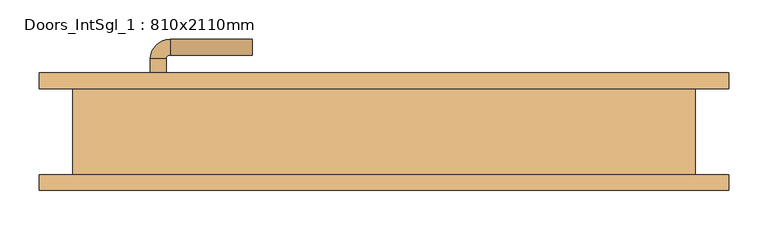
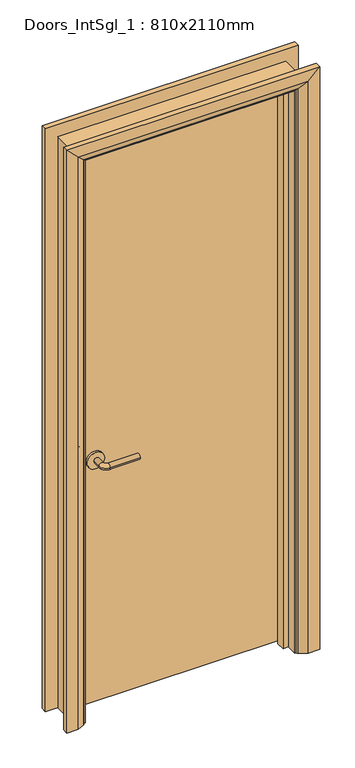
"""IFC4 building model written with IfcOpenShell, lengths in millimetres: door geometry, Doors_IntSgl_1 : 810x2110mm."""

from ifc_helpers import new_model, si_unit, point, frame, frame_2d, origin, place, context, project, spatial, polyline, circle_curve, ellipse_curve, trimmed, segment, composite_curve, outline, extrude, faceted_brep, source, transform, mapped, element, save
from ifc_brep_helpers import plane_surface, cylinder_surface, revolved_surface, advanced_brep


def doors_intsgl_1_810x2110mm_b20a6d0b(model_context):
    return source(origin(), model_context, "Body", "SolidModel", [
        advanced_brep(
        [(-298.0, 9.0, 900.0), (-278.0, 9.0, 900.0), (-278.0, -21.0, 900.0), (-298.0, -21.0, 900.0), (-273.0, -26.0, 900.0), (-273.0, -46.0, 900.0), (-168.0, -46.0, 900.0), (-168.0, -26.0, 900.0)],
        [
            (0, 1, circle_curve(frame((-288.0, 9.0, 900.0), z_axis=(0.0, 1.0, 0.0), x_axis=(1.0, 0.0, 0.0)), 10.0)),
            (1, 0, circle_curve(frame((-288.0, 9.0, 900.0), z_axis=(0.0, 1.0, 0.0), x_axis=(1.0, 0.0, 0.0)), 10.0)),
            (1, 2),
            (2, 3, circle_curve(frame((-288.0, -21.0, 900.0), z_axis=(0.0, 1.0, 0.0), x_axis=(1.0, 0.0, 0.0)), 10.0)),
            (3, 0),
            (3, 2, circle_curve(frame((-288.0, -21.0, 900.0), z_axis=(0.0, 1.0, 0.0), x_axis=(1.0, 0.0, 0.0)), 10.0)),
            (4, 5, circle_curve(frame((-273.0, -36.0, 900.0), z_axis=(-1.0, 0.0, 0.0), x_axis=(0.0, 1.0, 0.0)), 10.0)),
            (5, 3, circle_curve(frame((-273.0, -21.0, 900.0), z_axis=(0.0, 0.0, -1.0), x_axis=(-1.0, 0.0, 0.0)), 25.0)),
            (2, 4, circle_curve(frame((-273.0, -21.0, 900.0), z_axis=(0.0, 0.0, 1.0), x_axis=(-1.0, 0.0, 0.0)), 5.0)),
            (5, 4, circle_curve(frame((-273.0, -36.0, 900.0), z_axis=(-1.0, 0.0, 0.0), x_axis=(0.0, 1.0, 0.0)), 10.0)),
            (6, 7, circle_curve(frame((-168.0, -36.0, 900.0), z_axis=(1.0, 0.0, 0.0), x_axis=(0.0, 1.0, 0.0)), 10.0)),
            (7, 6, circle_curve(frame((-168.0, -36.0, 900.0), z_axis=(1.0, 0.0, 0.0), x_axis=(0.0, 1.0, 0.0)), 10.0)),
            (4, 7),
            (6, 5),
        ],
        [
            plane_surface(frame((-288.0, 9.0, 900.0), z_axis=(0.0, 1.0, 0.0), x_axis=(0.0, 0.0, 1.0))),
            cylinder_surface(frame((-288.0, 9.0, 900.0), z_axis=(0.0, 1.0, 0.0), x_axis=(1.0, 0.0, 0.0)), 10.0),
            revolved_surface(trimmed(ellipse_curve(frame((-288.0, -21.0, 900.0), z_axis=(0.0, -1.0, 0.0), x_axis=(1.0, 0.0, 0.0)), 10.0, 10.0), [point((-298.0, -21.0, 900.0))], [point((-278.0, -21.0, 900.0))], True, "CARTESIAN"), (-273.0, -21.0, 900.0), (0.0, 0.0, -1.0)),
            revolved_surface(trimmed(ellipse_curve(frame((-288.0, -21.0, 900.0), z_axis=(0.0, -1.0, 0.0), x_axis=(1.0, 0.0, 0.0)), 10.0, 10.0), [point((-278.0, -21.0, 900.0))], [point((-298.0, -21.0, 900.0))], True, "CARTESIAN"), (-273.0, -21.0, 900.0), (0.0, 0.0, -1.0)),
            plane_surface(frame((-168.0, -36.0, 900.0), z_axis=(1.0, 0.0, 0.0), x_axis=(0.0, 0.0, 1.0))),
            cylinder_surface(frame((-273.0, -36.0, 900.0), z_axis=(-1.0, 0.0, 0.0), x_axis=(0.0, 1.0, 0.0)), 10.0),
        ],
        [
            (0, [[1, 2]]),
            (1, [[3, 4, 5, -2]]),
            (1, [[-5, 6, -3, -1]]),
            (2, [[7, 8, -4, 9]]),
            (3, [[10, -9, -6, -8]]),
            (4, [[11, 12]]),
            (5, [[13, -11, 14, -7]]),
            (5, [[-14, -12, -13, -10]]),
        ],
    ),
        extrude(outline(composite_curve([segment(trimmed(circle_curve(frame_2d((900.0, -290.5)), 30.0), [point((900.0, -320.5))], [point((900.0, -260.5))], False, "CARTESIAN"), True, "CONTINUOUS"), segment(trimmed(circle_curve(frame_2d((900.0, -290.5)), 30.0), [point((900.0, -260.5))], [point((900.0, -320.5))], False, "CARTESIAN"), True, "CONTINUOUS")], self_intersect=False)), frame((0.0, 9.0, 0.0), z_axis=(0.0, 1.0, 0.0), x_axis=(0.0, 0.0, 1.0)), (0.0, 0.0, 1.0), 8.0),
        advanced_brep(
        [(-298.0, 63.0, 900.0), (-278.0, 63.0, 900.0), (-298.0, 93.0, 900.0), (-278.0, 93.0, 900.0), (-273.0, 98.0, 900.0), (-273.0, 118.0, 900.0), (-168.0, 118.0, 900.0), (-168.0, 98.0, 900.0)],
        [
            (0, 1, circle_curve(frame((-288.0, 63.0, 900.0), z_axis=(0.0, -1.0, 0.0), x_axis=(1.0, 0.0, 0.0)), 10.0)),
            (1, 0, circle_curve(frame((-288.0, 63.0, 900.0), z_axis=(0.0, -1.0, 0.0), x_axis=(1.0, 0.0, 0.0)), 10.0)),
            (0, 2),
            (2, 3, circle_curve(frame((-288.0, 93.0, 900.0), z_axis=(0.0, -1.0, 0.0), x_axis=(1.0, 0.0, 0.0)), 10.0)),
            (3, 1),
            (3, 2, circle_curve(frame((-288.0, 93.0, 900.0), z_axis=(0.0, -1.0, 0.0), x_axis=(1.0, 0.0, 0.0)), 10.0)),
            (4, 3, circle_curve(frame((-273.0, 93.0, 900.0), z_axis=(0.0, 0.0, 1.0), x_axis=(-1.0, 0.0, 0.0)), 5.0)),
            (2, 5, circle_curve(frame((-273.0, 93.0, 900.0), z_axis=(0.0, 0.0, -1.0), x_axis=(-1.0, 0.0, 0.0)), 25.0)),
            (5, 4, circle_curve(frame((-273.0, 108.0, 900.0), z_axis=(-1.0, 0.0, 0.0), x_axis=(0.0, -1.0, 0.0)), 10.0)),
            (4, 5, circle_curve(frame((-273.0, 108.0, 900.0), z_axis=(-1.0, 0.0, 0.0), x_axis=(0.0, -1.0, 0.0)), 10.0)),
            (6, 7, circle_curve(frame((-168.0, 108.0, 900.0), z_axis=(1.0, 0.0, 0.0), x_axis=(0.0, -1.0, 0.0)), 10.0)),
            (7, 6, circle_curve(frame((-168.0, 108.0, 900.0), z_axis=(1.0, 0.0, 0.0), x_axis=(0.0, -1.0, 0.0)), 10.0)),
            (5, 6),
            (7, 4),
        ],
        [
            plane_surface(frame((-288.0, 63.0, 900.0), z_axis=(0.0, -1.0, 0.0), x_axis=(0.0, 0.0, 1.0))),
            cylinder_surface(frame((-288.0, 63.0, 900.0), z_axis=(0.0, -1.0, 0.0), x_axis=(1.0, 0.0, 0.0)), 10.0),
            revolved_surface(trimmed(ellipse_curve(frame((-288.0, 93.0, 900.0), z_axis=(0.0, -1.0, 0.0), x_axis=(1.0, 0.0, 0.0)), 10.0, 10.0), [point((-298.0, 93.0, 900.0))], [point((-278.0, 93.0, 900.0))], True, "CARTESIAN"), (-273.0, 93.0, 900.0), (0.0, 0.0, -1.0)),
            revolved_surface(trimmed(ellipse_curve(frame((-288.0, 93.0, 900.0), z_axis=(0.0, -1.0, 0.0), x_axis=(1.0, 0.0, 0.0)), 10.0, 10.0), [point((-278.0, 93.0, 900.0))], [point((-298.0, 93.0, 900.0))], True, "CARTESIAN"), (-273.0, 93.0, 900.0), (0.0, 0.0, -1.0)),
            plane_surface(frame((-168.0, 108.0, 900.0), z_axis=(1.0, 0.0, 0.0), x_axis=(0.0, 0.0, 1.0))),
            cylinder_surface(frame((-273.0, 108.0, 900.0), z_axis=(-1.0, 0.0, 0.0), x_axis=(0.0, -1.0, 0.0)), 10.0),
        ],
        [
            (0, [[1, 2]]),
            (1, [[-1, 3, 4, 5]]),
            (1, [[-2, -5, 6, -3]]),
            (2, [[7, -4, 8, 9]]),
            (3, [[-8, -6, -7, 10]]),
            (4, [[11, 12]]),
            (5, [[-9, 13, -12, 14]]),
            (5, [[-10, -14, -11, -13]]),
        ],
    ),
        extrude(outline(composite_curve([segment(trimmed(circle_curve(frame_2d((900.0, -290.5)), 30.0), [point((900.0, -320.5))], [point((900.0, -260.5))], False, "CARTESIAN"), True, "CONTINUOUS"), segment(trimmed(circle_curve(frame_2d((900.0, -290.5)), 30.0), [point((900.0, -260.5))], [point((900.0, -320.5))], False, "CARTESIAN"), True, "CONTINUOUS")], self_intersect=False)), frame((0.0, 55.0, 0.0), z_axis=(0.0, 1.0, 0.0), x_axis=(0.0, 0.0, 1.0)), (0.0, 0.0, 1.0), 8.0),
        extrude(outline(polyline([(363.0, 17.0), (-363.0, 17.0), (-363.0, 55.0), (363.0, 55.0), (363.0, 17.0)])), frame((0.0, 0.0, 8.0), z_axis=(0.0, 0.0, 1.0), x_axis=(1.0, 0.0, 0.0)), (0.0, 0.0, 1.0), 2060.0),
        advanced_brep(
        [(440.0, 75.0, 0.0), (440.0, 55.0, 0.0), (370.0, 55.0, 0.0), (374.0, 61.0, 0.0), (400.0, 75.0, 0.0), (440.0, 75.0, 2145.0), (440.0, 55.0, 2145.0), (-440.0, 55.0, 2145.0), (-440.0, 55.0, 0.0), (-370.0, 55.0, 0.0), (-370.0, 55.0, 2075.0), (370.0, 55.0, 2075.0), (374.0, 61.0, 2079.0), (400.0, 75.0, 2105.0), (-400.0, 75.0, 2105.0), (-400.0, 75.0, 0.0), (-440.0, 75.0, 0.0), (-440.0, 75.0, 2145.0), (-374.0, 61.0, 0.0), (-374.0, 61.0, 2079.0)],
        [
            (0, 1),
            (1, 2),
            (2, 3, circle_curve(frame((378.0, 54.0, 0.0), z_axis=(0.0, 0.0, -1.0), x_axis=(1.0, 0.0, 0.0)), 8.0622577)),
            (3, 4),
            (4, 0),
            (0, 5),
            (5, 6),
            (6, 1),
            (6, 7),
            (7, 8),
            (8, 9),
            (9, 10),
            (10, 11),
            (11, 2),
            (11, 12, ellipse_curve(frame((378.0, 54.0, 2083.0), z_axis=(0.7071067811865475, 0.0, -0.7071067811865475), x_axis=(-0.7071067811865474, 0.0, -0.7071067811865476)), 11.4017543, 8.0622577)),
            (12, 3),
            (12, 13),
            (13, 4),
            (13, 14),
            (14, 15),
            (15, 16),
            (16, 17),
            (17, 5),
            (7, 17),
            (16, 8),
            (15, 18),
            (18, 9, circle_curve(frame((-378.0, 54.0, 0.0), z_axis=(0.0, 0.0, -1.0), x_axis=(-1.0, 0.0, 0.0)), 8.0622577)),
            (19, 10, ellipse_curve(frame((-378.0, 54.0, 2083.0), z_axis=(-0.7071067811865475, 0.0, -0.7071067811865475), x_axis=(-0.7071067811865474, 0.0, 0.7071067811865476)), 11.4017543, 8.0622577)),
            (18, 19),
            (14, 19),
            (19, 12),
        ],
        [
            plane_surface(frame((370.0, 55.0, 0.0), z_axis=(0.0, 0.0, -1.0), x_axis=(0.0, -1.0, 0.0))),
            plane_surface(frame((440.0, 75.0, 0.0), z_axis=(1.0, 0.0, 0.0), x_axis=(0.0, 0.0, 1.0))),
            plane_surface(frame((440.0, 55.0, 0.0), z_axis=(0.0, -1.0, 0.0), x_axis=(0.0, 0.0, 1.0))),
            cylinder_surface(frame((378.0, 54.0, 0.0), z_axis=(0.0, 0.0, -1.0), x_axis=(1.0, 0.0, 0.0)), 8.0622577),
            plane_surface(frame((374.0, 61.0, 0.0), z_axis=(-0.4740998230350126, 0.880471099922178, 0.0), x_axis=(0.0, 0.0, 1.0))),
            plane_surface(frame((400.0, 75.0, 0.0), z_axis=(0.0, 1.0, 0.0), x_axis=(0.0, 0.0, 1.0))),
            plane_surface(frame((-440.0, 75.0, 2145.0), z_axis=(-1.0, 0.0, 0.0), x_axis=(0.0, 0.0, -1.0))),
            plane_surface(frame((-370.0, 55.0, 0.0), z_axis=(0.0, 0.0, -1.0), x_axis=(0.0, -1.0, 0.0))),
            cylinder_surface(frame((-378.0, 54.0, 2075.0), z_axis=(0.0, 0.0, 1.0), x_axis=(-1.0, 0.0, 0.0)), 8.0622577),
            plane_surface(frame((-374.0, 61.0, 2079.0), z_axis=(0.47409982303501824, 0.8804710999221749, 0.0), x_axis=(0.0, 0.0, -1.0))),
            plane_surface(frame((440.0, 75.0, 2145.0), z_axis=(0.0, 0.0, 1.0), x_axis=(-1.0, 0.0, 0.0))),
            cylinder_surface(frame((370.0, 54.0, 2083.0), z_axis=(1.0, 0.0, 0.0), x_axis=(0.0, 0.0, 1.0)), 8.0622577),
            plane_surface(frame((374.0, 61.0, 2079.0), z_axis=(0.0, 0.8804710999221764, -0.4740998230350154), x_axis=(-1.0, 0.0, 0.0))),
        ],
        [
            (0, [[1, 2, 3, 4, 5]]),
            (1, [[-1, 6, 7, 8]]),
            (2, [[-2, -8, 9, 10, 11, 12, 13, 14]]),
            (3, [[-3, -14, 15, 16]]),
            (4, [[-4, -16, 17, 18]]),
            (5, [[-5, -18, 19, 20, 21, 22, 23, -6]]),
            (6, [[24, -22, 25, -10]]),
            (7, [[-21, 26, 27, -11, -25]]),
            (8, [[28, -12, -27, 29]]),
            (9, [[30, -29, -26, -20]]),
            (10, [[-7, -23, -24, -9]]),
            (11, [[-15, -13, -28, 31]]),
            (12, [[-17, -31, -30, -19]]),
        ],
    ),
        extrude(outline(polyline([(0.0, -365.0), (0.0, -346.0), (2051.0, -346.0), (2051.0, 346.0), (0.0, 346.0), (0.0, 365.0), (2070.0, 365.0), (2070.0, -365.0), (0.0, -365.0)])), frame((0.0, -17.0, 0.0), z_axis=(0.0, 1.0, 0.0), x_axis=(0.0, 0.0, 1.0)), (0.0, 0.0, 1.0), 32.0),
        advanced_brep(
        [(-440.0, -75.0, 0.0), (-440.0, -55.0, 0.0), (-370.0, -55.0, 0.0), (-374.0, -61.0, 0.0), (-400.0, -75.0, 0.0), (-440.0, -75.0, 2145.0), (-440.0, -55.0, 2145.0), (-370.0, -55.0, 2075.0), (-374.0, -61.0, 2079.0), (-400.0, -75.0, 2105.0), (440.0, -75.0, 0.0), (400.0, -75.0, 0.0), (374.0, -61.0, 0.0), (370.0, -55.0, 0.0), (440.0, -55.0, 0.0), (440.0, -75.0, 2145.0), (400.0, -75.0, 2105.0), (374.0, -61.0, 2079.0), (370.0, -55.0, 2075.0), (440.0, -55.0, 2145.0)],
        [
            (0, 1),
            (1, 2),
            (2, 3, circle_curve(frame((-378.0, -54.0, 0.0), z_axis=(0.0, 0.0, -1.0), x_axis=(-1.0, 0.0, 0.0)), 8.0622577)),
            (3, 4),
            (4, 0),
            (0, 5),
            (5, 6),
            (6, 1),
            (6, 7),
            (7, 2),
            (7, 8, ellipse_curve(frame((-378.0, -54.0, 2083.0), z_axis=(-0.7071067811865475, 0.0, -0.7071067811865475), x_axis=(0.7071067811865474, 0.0, -0.7071067811865476)), 11.4017543, 8.0622577)),
            (8, 3),
            (8, 9),
            (9, 4),
            (9, 5),
            (10, 11),
            (11, 12),
            (12, 13, circle_curve(frame((378.0, -54.0, 0.0), z_axis=(0.0, 0.0, -1.0), x_axis=(1.0, 0.0, 0.0)), 8.0622577)),
            (13, 14),
            (14, 10),
            (15, 16),
            (16, 11),
            (10, 15),
            (16, 17),
            (17, 12),
            (17, 18, ellipse_curve(frame((378.0, -54.0, 2083.0), z_axis=(0.7071067811865475, 0.0, -0.7071067811865475), x_axis=(0.7071067811865474, 0.0, 0.7071067811865476)), 11.4017543, 8.0622577)),
            (18, 13),
            (18, 19),
            (19, 14),
            (19, 15),
            (5, 15),
            (19, 6),
            (18, 7),
            (17, 8),
            (16, 9),
        ],
        [
            plane_surface(frame((-370.0, -127.8010989, 0.0), z_axis=(0.0, 0.0, -1.0), x_axis=(1.0, 0.0, 0.0))),
            plane_surface(frame((-440.0, -75.0, 0.0), z_axis=(-1.0, 0.0, 0.0), x_axis=(0.0, 0.0, 1.0))),
            plane_surface(frame((-440.0, -55.0, 0.0), z_axis=(0.0, 1.0, 0.0), x_axis=(0.0, 0.0, 1.0))),
            cylinder_surface(frame((-378.0, -54.0, 0.0), z_axis=(0.0, 0.0, -1.0), x_axis=(-1.0, 0.0, 0.0)), 8.0622577),
            plane_surface(frame((-374.0, -61.0, 0.0), z_axis=(0.4740998230350183, -0.8804710999221749, 0.0), x_axis=(0.0, 0.0, 1.0))),
            plane_surface(frame((-400.0, -75.0, 0.0), z_axis=(0.0, -1.0, 0.0), x_axis=(0.0, 0.0, 1.0))),
            plane_surface(frame((370.0, -127.8010989, 0.0), z_axis=(0.0, 0.0, -1.0), x_axis=(-1.0, 0.0, 0.0))),
            plane_surface(frame((400.0, -75.0, 2105.0), z_axis=(0.0, -1.0, 0.0), x_axis=(0.0, 0.0, -1.0))),
            plane_surface(frame((374.0, -61.0, 2079.0), z_axis=(-0.4740998230350183, -0.8804710999221749, 0.0), x_axis=(0.0, 0.0, -1.0))),
            cylinder_surface(frame((378.0, -54.0, 2075.0), z_axis=(0.0, 0.0, 1.0), x_axis=(1.0, 0.0, 0.0)), 8.0622577),
            plane_surface(frame((440.0, -55.0, 2145.0), z_axis=(0.0, 1.0, 0.0), x_axis=(0.0, 0.0, -1.0))),
            plane_surface(frame((440.0, -75.0, 2145.0), z_axis=(1.0, 0.0, 0.0), x_axis=(0.0, 0.0, -1.0))),
            plane_surface(frame((-440.0, -75.0, 2145.0), z_axis=(0.0, 0.0, 1.0), x_axis=(1.0, 0.0, 0.0))),
            plane_surface(frame((-440.0, -55.0, 2145.0), z_axis=(0.0, 1.0, 0.0), x_axis=(1.0, 0.0, 0.0))),
            cylinder_surface(frame((-370.0, -54.0, 2083.0), z_axis=(-1.0, 0.0, 0.0), x_axis=(0.0, 0.0, 1.0)), 8.0622577),
            plane_surface(frame((-374.0, -61.0, 2079.0), z_axis=(0.0, -0.8804710999221749, -0.4740998230350183), x_axis=(1.0, 0.0, 0.0))),
            plane_surface(frame((-400.0, -75.0, 2105.0), z_axis=(0.0, -1.0, 0.0), x_axis=(1.0, 0.0, 0.0))),
        ],
        [
            (0, [[1, 2, 3, 4, 5]]),
            (1, [[-1, 6, 7, 8]]),
            (2, [[-2, -8, 9, 10]]),
            (3, [[-3, -10, 11, 12]]),
            (4, [[-4, -12, 13, 14]]),
            (5, [[-5, -14, 15, -6]]),
            (6, [[16, 17, 18, 19, 20]]),
            (7, [[21, 22, -16, 23]]),
            (8, [[24, 25, -17, -22]]),
            (9, [[26, 27, -18, -25]]),
            (10, [[28, 29, -19, -27]]),
            (11, [[30, -23, -20, -29]]),
            (12, [[-7, 31, -30, 32]]),
            (13, [[-9, -32, -28, 33]]),
            (14, [[-11, -33, -26, 34]]),
            (15, [[-13, -34, -24, 35]]),
            (16, [[-15, -35, -21, -31]]),
        ],
    ),
        faceted_brep([(-365.0, 55.0, 0.0), (-365.0, -55.0, 0.0), (-397.0, -55.0, 0.0), (-397.0, 55.0, 0.0), (-365.0, 55.0, 2070.0), (-365.0, -55.0, 2070.0), (-397.0, -55.0, 2102.0), (-397.0, 55.0, 2102.0), (365.0, 55.0, 0.0), (397.0, 55.0, 0.0), (397.0, -55.0, 0.0), (365.0, -55.0, 0.0), (365.0, 55.0, 2070.0), (397.0, 55.0, 2102.0), (397.0, -55.0, 2102.0), (365.0, -55.0, 2070.0)], [[[0, 1, 2, 3]], [[1, 0, 4, 5]], [[2, 1, 5, 6]], [[3, 2, 6, 7]], [[0, 3, 7, 4]], [[8, 9, 10, 11]], [[12, 13, 9, 8]], [[13, 14, 10, 9]], [[14, 15, 11, 10]], [[15, 12, 8, 11]], [[5, 4, 12, 15]], [[6, 5, 15, 14]], [[7, 6, 14, 13]], [[4, 7, 13, 12]]]),
    ])


if __name__ == "__main__":
    model = new_model("IFC4")
    model_context = context("Model", 3, world=origin())
    ifc_project = project(units=[si_unit("LENGTHUNIT", "METRE", prefix="MILLI")], contexts=[model_context])
    site = spatial("IfcSite", under=ifc_project)
    building = spatial("IfcBuilding", under=site)
    placement = place(None, origin())
    doors_intsgl_1_810x2110mm_shape = doors_intsgl_1_810x2110mm_b20a6d0b(model_context)
    element("IfcDoor", 1, ObjectType="Doors_IntSgl_1 : 810x2110mm", at=placement, inside=building, context=model_context, shape_type="MappedRepresentation", body=[
        mapped(doors_intsgl_1_810x2110mm_shape, transform((0.0, 0.0, 0.0), x_axis=(1.0, 0.0, 0.0), y_axis=(0.0, 1.0, 0.0), z_axis=(0.0, 0.0, 1.0))),
    ])
    save(model, "model.ifc")
